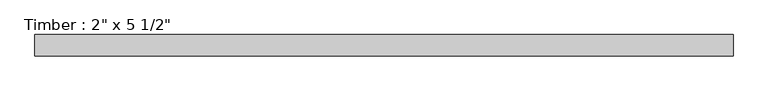
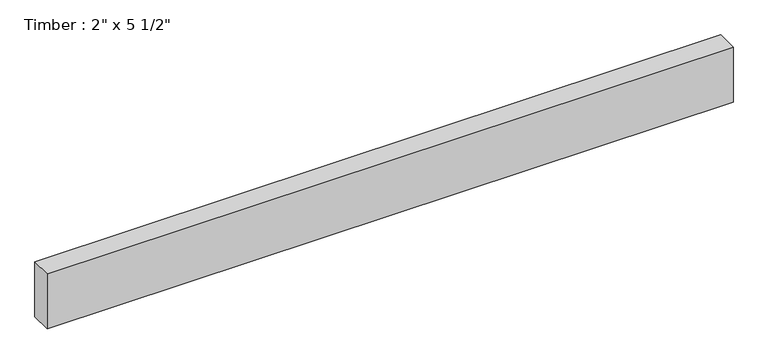
"""IFC4 building model written with IfcOpenShell, lengths in millimetres: beam geometry."""

from ifc_helpers import new_model, si_unit, frame, origin, place, context, project, spatial, polyline, outline, extrude, source, transform, mapped, element, save


def beam_4f722ad7(model_context):
    return source(origin(), model_context, "Body", "SweptSolid", [
        extrude(outline(polyline([(823.2388458, 25.4), (823.2388458, -25.4), (-823.2388458, -25.4), (-823.2388458, 25.4), (823.2388458, 25.4)])), frame((0.0, 0.0, -69.85), z_axis=(0.0, 0.0, 1.0), x_axis=(1.0, 0.0, 0.0)), (0.0, 0.0, 1.0), 139.7),
    ])


if __name__ == "__main__":
    model = new_model("IFC4")
    model_context = context("Model", 3, world=origin())
    ifc_project = project(units=[si_unit("LENGTHUNIT", "METRE", prefix="MILLI")], contexts=[model_context])
    site = spatial("IfcSite", under=ifc_project)
    building = spatial("IfcBuilding", under=site)
    placement = place(None, origin())
    beam_shape = beam_4f722ad7(model_context)
    element("IfcBeam", 1, ObjectType="Timber : 2\" x 5 1/2\"", at=placement, inside=building, context=model_context, shape_type="MappedRepresentation", body=[
        mapped(beam_shape, transform((0.0, 0.0, 0.0), x_axis=(1.0, 0.0, 0.0), y_axis=(0.0, 1.0, 0.0), z_axis=(0.0, 0.0, 1.0))),
    ])
    save(model, "model.ifc")
